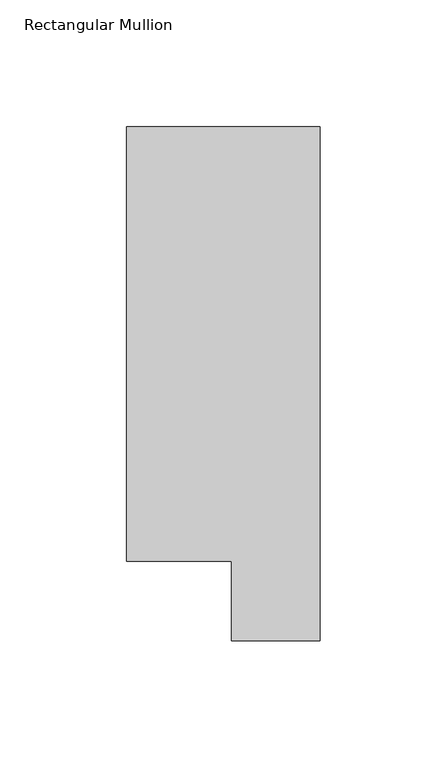
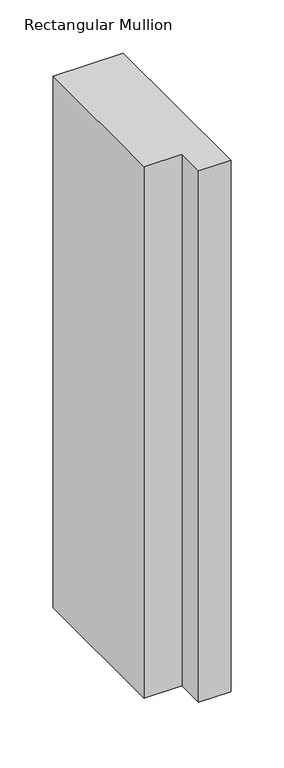
"""IFC4 building model written with IfcOpenShell, lengths in millimetres: member geometry, Rectangular Mullion."""

import ifcopenshell
import ifcopenshell.guid

model = None  # the IFC model being written
_history = None  # IfcOwnerHistory: only IFC2X3 demands one
_inside = {}  # id of a spatial element -> (the spatial element, [elements in it])
_under = {}  # id of a project, library or spatial element -> (it, [spatial elements below it])
_declared = {}  # id of a project -> (the project, [libraries it declares])
_typed = {}  # id of a type object -> (the type object, [elements of that type])
_made_of = {}  # id of a material, layer set ... -> (it, [elements and type objects made of it])


def new_model(schema):
    """Start an empty IFC model of exactly this schema.

    Asked for "IFC4X3", IfcOpenShell would pick the latest addendum, in which some entities
    have other attributes; the version numbers below select the first issue.
    IFC2X3 requires an IfcOwnerHistory on every rooted entity: one is made here for all.
    """
    global model, _history
    if schema == "IFC4X3":
        model = ifcopenshell.file(schema_version=(4, 3, 0, 0))
    else:
        model = ifcopenshell.file(schema=schema)
    _inside.clear()
    _under.clear()
    _declared.clear()
    _typed.clear()
    _made_of.clear()
    _history = None
    if model.schema == "IFC2X3":
        org = make("IfcOrganization", Name="unknown")
        user = make(
            "IfcPersonAndOrganization",
            ThePerson=make("IfcPerson", FamilyName="unknown"),
            TheOrganization=org,
        )
        app = make(
            "IfcApplication",
            ApplicationDeveloper=org,
            Version="unknown",
            ApplicationFullName="unknown",
            ApplicationIdentifier="unknown",
        )
        _history = make(
            "IfcOwnerHistory",
            OwningUser=user,
            OwningApplication=app,
            ChangeAction="ADDED",
            CreationDate=0,
        )
    return model


def make(cls, **values):
    """One entity of the class cls with the attributes given. An attribute that is None is left unset."""
    return model.create_entity(
        cls, **{name: value for name, value in values.items() if value is not None}
    )


def rooted(cls, **values):
    """An entity with a GlobalId (a new one), such as an element, a storey or a relation."""
    return make(cls, GlobalId=ifcopenshell.guid.new(), OwnerHistory=_history, **values)


def si_unit(unit_type, name, prefix=None):
    """IfcSIUnit, for example si_unit("LENGTHUNIT", "METRE", prefix="MILLI")."""
    return make("IfcSIUnit", UnitType=unit_type, Prefix=prefix, Name=name)


def assignment(units):
    """IfcUnitAssignment: the units of a project."""
    return None if units is None else make("IfcUnitAssignment", Units=units)


def point(xyz):
    """IfcCartesianPoint."""
    return None if xyz is None else make("IfcCartesianPoint", Coordinates=xyz)


def direction(xyz):
    """IfcDirection."""
    return None if xyz is None else make("IfcDirection", DirectionRatios=xyz)


def frame(location, z_axis=None, x_axis=None):
    """IfcAxis2Placement3D, a coordinate frame: its origin and axes. An axis left out is left unset."""
    return make(
        "IfcAxis2Placement3D",
        Location=point(location),
        Axis=direction(z_axis),
        RefDirection=direction(x_axis),
    )


def origin():
    """The frame at (0, 0, 0) with its axes left unset."""
    return frame((0.0, 0.0, 0.0))


def place(relative_to, where):
    """IfcLocalPlacement: puts the frame where relative to a parent placement (None: the world)."""
    return make(
        "IfcLocalPlacement", PlacementRelTo=relative_to, RelativePlacement=where
    )


def context(
    kind, dimensions, precision=None, world=None, true_north=None, identifier=None
):
    """IfcGeometricRepresentationContext, for example the 3D "Model" context."""
    return make(
        "IfcGeometricRepresentationContext",
        ContextIdentifier=identifier,
        ContextType=kind,
        CoordinateSpaceDimension=dimensions,
        Precision=precision,
        WorldCoordinateSystem=world,
        TrueNorth=true_north,
    )


def project(units=None, contexts=None):
    """IfcProject with its units and contexts."""
    return rooted(
        "IfcProject",
        Name="project",
        RepresentationContexts=contexts,
        UnitsInContext=assignment(units),
    )


def spatial(cls, under=None, at=None, **own):
    """A site, building, storey or space (cls), placed at a placement, below another one or the project."""
    s = rooted(cls, ObjectPlacement=at, **own)
    if under is not None:
        _under.setdefault(under.id(), (under, []))[1].append(s)
    return s


def polyline(points):
    """IfcPolyline through the points."""
    return make("IfcPolyline", Points=[point(p) for p in points])


def outline(outer, holes=None, kind="AREA"):
    """IfcArbitraryClosedProfileDef: a profile drawn as a closed curve; with holes, ...WithVoids."""
    if holes is None:
        return make("IfcArbitraryClosedProfileDef", ProfileType=kind, OuterCurve=outer)
    return make(
        "IfcArbitraryProfileDefWithVoids",
        ProfileType=kind,
        OuterCurve=outer,
        InnerCurves=holes,
    )


def extrude(swept, where, along, depth):
    """IfcExtrudedAreaSolid: the profile swept, set in the frame where, extruded along a direction by depth."""
    return make(
        "IfcExtrudedAreaSolid",
        SweptArea=swept,
        Position=where,
        ExtrudedDirection=direction(along),
        Depth=depth,
    )


def shape(context_of_items, identifier, shape_type, items):
    """IfcShapeRepresentation: the items that make up one representation, for example the "Body"."""
    return make(
        "IfcShapeRepresentation",
        ContextOfItems=context_of_items,
        RepresentationIdentifier=identifier,
        RepresentationType=shape_type,
        Items=items,
    )


def source(mapping_origin, context_of_items, identifier, shape_type, items):
    """IfcRepresentationMap: a shape defined once, which mapped items show again and again."""
    return make(
        "IfcRepresentationMap",
        MappingOrigin=mapping_origin,
        MappedRepresentation=shape(context_of_items, identifier, shape_type, items),
    )


def transform(
    local_origin,
    x_axis=None,
    y_axis=None,
    z_axis=None,
    scale=None,
    scale2=None,
    scale3=None,
    uniform=True,
):
    """IfcCartesianTransformationOperator3D, or its non-uniform kind. x_axis, y_axis, z_axis: its Axis1, 2, 3."""
    if uniform:
        return make(
            "IfcCartesianTransformationOperator3D",
            Axis1=direction(x_axis),
            Axis2=direction(y_axis),
            LocalOrigin=point(local_origin),
            Scale=scale,
            Axis3=direction(z_axis),
        )
    return make(
        "IfcCartesianTransformationOperator3DnonUniform",
        Axis1=direction(x_axis),
        Axis2=direction(y_axis),
        LocalOrigin=point(local_origin),
        Scale=scale,
        Axis3=direction(z_axis),
        Scale2=scale2,
        Scale3=scale3,
    )


def mapped(mapping_source, mapping_target):
    """IfcMappedItem: shows the shape of a source again, moved by a transform."""
    return make(
        "IfcMappedItem", MappingSource=mapping_source, MappingTarget=mapping_target
    )


def made_of(thing, what):
    """Note that an element or type object is made of a material, layer set ...; save() writes the relation."""
    if what is not None:
        _made_of.setdefault(what.id(), (what, []))[1].append(thing)
    return thing


def element(
    cls,
    number,
    at=None,
    inside=None,
    cuts=None,
    type_object=None,
    material=None,
    context=None,
    identifier="Body",
    shape_type=None,
    held_by="IfcProductDefinitionShape",
    body=None,
    shapes=None,
    **own,
):
    """One element of the class cls, such as IfcWall. Its Tag is "e" and its number.

    at: its placement. inside: the storey or other place that contains it. cuts: it is an
    opening in that element (IfcRelVoidsElement). A single representation is given by context,
    identifier, shape_type and body (its items); several are given by shapes. held_by: the class
    of the entity that holds the representations. save() writes the other relations.
    """
    e = rooted(cls, Tag="e%d" % number, ObjectPlacement=at, **own)
    if body is not None:
        shapes = [shape(context, identifier, shape_type, body)]
    if shapes is not None:
        e.Representation = make(held_by, Representations=shapes)
    if inside is not None:
        _inside.setdefault(inside.id(), (inside, []))[1].append(e)
    if cuts is not None:
        rooted(
            "IfcRelVoidsElement", RelatingBuildingElement=cuts, RelatedOpeningElement=e
        )
    if type_object is not None:
        _typed.setdefault(type_object.id(), (type_object, []))[1].append(e)
    return made_of(e, material)


def aggregate(whole, parts):
    """IfcRelAggregates: a whole, such as a stair, and the parts it consists of."""
    return rooted("IfcRelAggregates", RelatingObject=whole, RelatedObjects=parts)


def save(model, path):
    """Write the relations noted so far, then the file.

    IfcRelAggregates (storeys below a building ...), IfcRelContainedInSpatialStructure (elements
    in a storey), IfcRelDefinesByType, IfcRelAssociatesMaterial and IfcRelDeclares: one each for
    every whole, place, type object, material and project.
    """
    for whole, parts in _under.values():
        aggregate(whole, parts)
    for where, things in _inside.values():
        rooted(
            "IfcRelContainedInSpatialStructure",
            RelatedElements=things,
            RelatingStructure=where,
        )
    for kind, things in _typed.values():
        rooted("IfcRelDefinesByType", RelatedObjects=things, RelatingType=kind)
    for what, things in _made_of.values():
        rooted("IfcRelAssociatesMaterial", RelatedObjects=things, RelatingMaterial=what)
    for by, libraries in _declared.values():
        rooted("IfcRelDeclares", RelatingContext=by, RelatedDefinitions=libraries)
    model.write(path)


def rectangular_mullion_d91e7ac8(model_context):
    return source(origin(), model_context, "Body", "SweptSolid", [
        extrude(outline(polyline([(0.0, 222.0301313), (0.0, 19.5667312), (-34.9123, 19.5667312), (-34.9123, 50.820278), (-76.2, 50.820278), (-76.2, 222.0301313), (0.0, 222.0301313)])), frame((0.0, 0.0, -609.56825), z_axis=(0.0, 0.0, 1.0), x_axis=(1.0, 0.0, 0.0)), (0.0, 0.0, 1.0), 609.56825),
    ])


if __name__ == "__main__":
    model = new_model("IFC4")
    model_context = context("Model", 3, world=origin())
    ifc_project = project(units=[si_unit("LENGTHUNIT", "METRE", prefix="MILLI")], contexts=[model_context])
    site = spatial("IfcSite", under=ifc_project)
    building = spatial("IfcBuilding", under=site)
    placement = place(None, origin())
    rectangular_mullion_shape = rectangular_mullion_d91e7ac8(model_context)
    element("IfcMember", 1, ObjectType="Rectangular Mullion", at=placement, inside=building, context=model_context, shape_type="MappedRepresentation", body=[
        mapped(rectangular_mullion_shape, transform((0.0, 0.0, 0.0), x_axis=(1.0, 0.0, 0.0), y_axis=(0.0, 1.0, 0.0), z_axis=(0.0, 0.0, 1.0))),
    ])
    save(model, "model.ifc")
